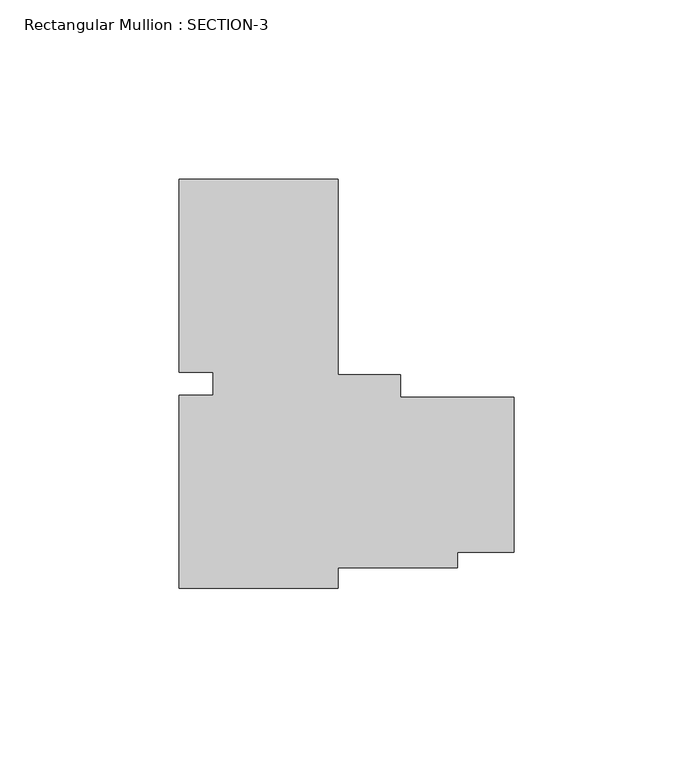
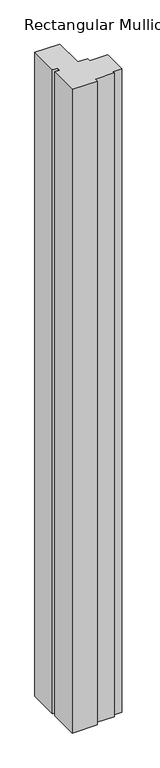
"""IFC4 building model written with IfcOpenShell, lengths in millimetres: member geometry, Rectangular Mullion : SECTION-3."""

from ifc_helpers import new_model, si_unit, frame, origin, place, context, project, spatial, polyline, outline, extrude, source, transform, mapped, element, save


def rectangular_mullion_section_3_9c4768aa(model_context):
    return source(origin(), model_context, "Body", "SweptSolid", [
        extrude(outline(polyline([(8.1738093, 59.8664491), (8.1738093, 5.1980091), (25.6461964, 5.1980091), (25.6461964, -1.1524271), (57.3990093, -1.1524271), (57.3990093, -44.3261406), (41.5240093, -44.3261406), (41.5240093, -48.7774271), (8.1738093, -48.7774271), (8.1738093, -54.4335509), (-36.2761907, -54.4335509), (-36.2761907, -0.5344846), (-26.7511907, -0.5344846), (-26.7511907, 5.9057537), (-36.2761907, 5.9057537), (-36.2761907, 59.8664491), (8.1738093, 59.8664491)])), frame((0.0, 0.0, -1207.3586165), z_axis=(0.0, 0.0, 1.0), x_axis=(1.0, 0.0, 0.0)), (0.0, 0.0, 1.0), 1207.3586165),
    ])


if __name__ == "__main__":
    model = new_model("IFC4")
    model_context = context("Model", 3, world=origin())
    ifc_project = project(units=[si_unit("LENGTHUNIT", "METRE", prefix="MILLI")], contexts=[model_context])
    site = spatial("IfcSite", under=ifc_project)
    building = spatial("IfcBuilding", under=site)
    placement = place(None, origin())
    rectangular_mullion_section_3_shape = rectangular_mullion_section_3_9c4768aa(model_context)
    element("IfcMember", 1, ObjectType="Rectangular Mullion : SECTION-3", at=placement, inside=building, context=model_context, shape_type="MappedRepresentation", body=[
        mapped(rectangular_mullion_section_3_shape, transform((0.0, 0.0, 0.0), x_axis=(1.0, 0.0, 0.0), y_axis=(0.0, 1.0, 0.0), z_axis=(0.0, 0.0, 1.0))),
    ])
    save(model, "model.ifc")
